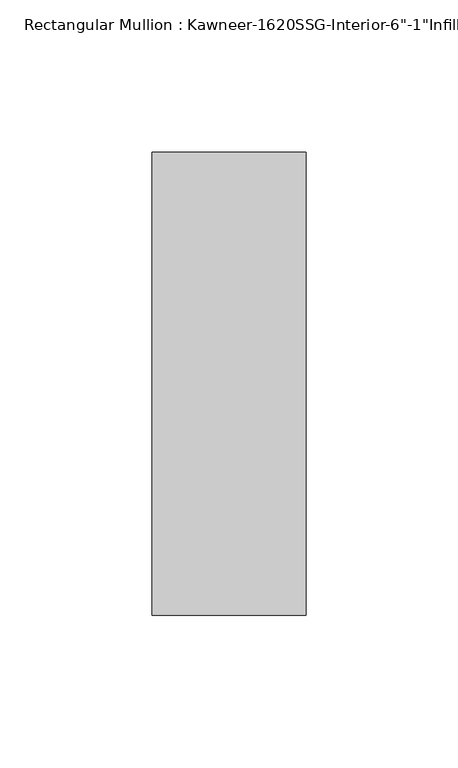
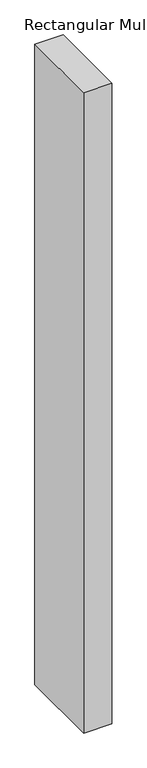
"""IFC4 building model written with IfcOpenShell, lengths in millimetres: member geometry."""

from ifc_helpers import new_model, si_unit, frame, origin, place, context, project, spatial, polyline, outline, extrude, source, transform, mapped, element, save


def member_bf01f3b9(model_context):
    return source(origin(), model_context, "Body", "SweptSolid", [
        extrude(outline(polyline([(25.4, -114.3), (-25.4, -114.3), (-25.4, 38.1), (25.4, 38.1), (25.4, -114.3)])), frame((0.0, 0.0, -1219.2), z_axis=(0.0, 0.0, 1.0), x_axis=(1.0, 0.0, 0.0)), (0.0, 0.0, 1.0), 1219.2),
    ])


if __name__ == "__main__":
    model = new_model("IFC4")
    model_context = context("Model", 3, world=origin())
    ifc_project = project(units=[si_unit("LENGTHUNIT", "METRE", prefix="MILLI")], contexts=[model_context])
    site = spatial("IfcSite", under=ifc_project)
    building = spatial("IfcBuilding", under=site)
    placement = place(None, origin())
    member_shape = member_bf01f3b9(model_context)
    element("IfcMember", 1, ObjectType="Rectangular Mullion : Kawneer-1620SSG-Interior-6\"-1\"Infill", at=placement, inside=building, context=model_context, shape_type="MappedRepresentation", body=[
        mapped(member_shape, transform((0.0, 0.0, 0.0), x_axis=(1.0, 0.0, 0.0), y_axis=(0.0, 1.0, 0.0), z_axis=(0.0, 0.0, 1.0))),
    ])
    save(model, "model.ifc")
